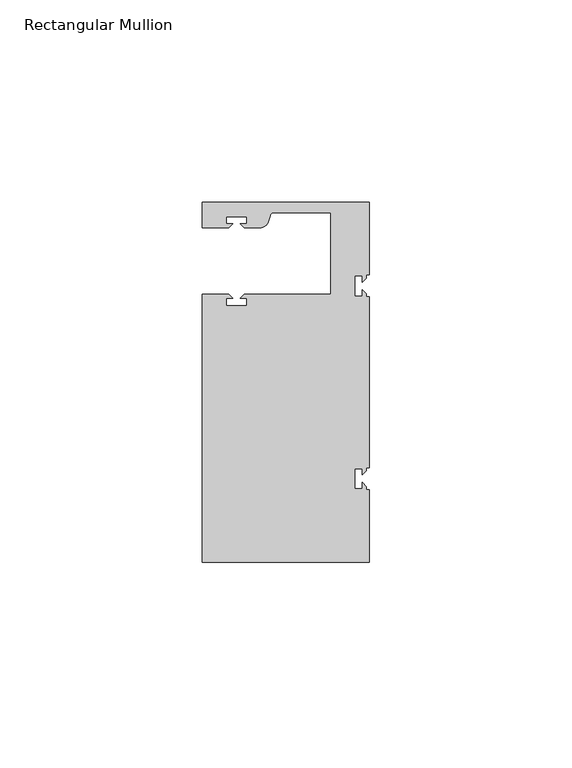
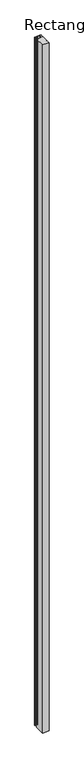
"""IFC4 building model written with IfcOpenShell, lengths in millimetres: member geometry, Rectangular Mullion."""

from ifc_helpers import new_model, si_unit, point, frame, frame_2d, origin, place, context, project, spatial, polyline, circle_curve, trimmed, segment, composite_curve, outline, extrude, source, transform, mapped, element, save


def rectangular_mullion_fe72c30a(model_context):
    return source(origin(), model_context, "Body", "SweptSolid", [
        extrude(outline(composite_curve([segment(polyline([(0.0, 44.45), (0.0, 26.5319902), (-0.79375, 26.5319902), (-0.79375, 25.7382402), (-1.7937657, 24.7382245), (-1.7937657, 26.3124974), (-3.5938131, 26.3124974), (-3.5938131, 21.3125026), (-1.7937657, 21.3125026), (-1.7937657, 22.88674), (-0.79375, 21.8867243), (-0.79375, 21.0930098), (0.0, 21.0930098), (0.0, -21.0930098), (-0.79375, -21.0930098), (-0.79375, -21.8867598), (-1.7937657, -22.8867755), (-1.7937657, -21.3125026), (-3.5938131, -21.3125026), (-3.5938131, -26.3124974), (-1.7937657, -26.3124974), (-1.7937657, -24.73826), (-0.79375, -25.7382757), (-0.79375, -26.5319902), (0.0, -26.5319902), (0.0, -44.45), (-41.275, -44.45), (-41.275, 21.749999), (-34.8007562, 21.749999), (-33.8007405, 20.7499834), (-35.3750134, 20.7499834), (-35.3750134, 18.949936), (-30.3750186, 18.949936), (-30.3750186, 20.7499834), (-31.949256, 20.7499834), (-30.9492434, 21.7499959), (-9.525, 21.7499959), (-9.525, 41.95), (-23.5599329, 41.95)]), True, "CONTINUOUS"), segment(trimmed(circle_curve(frame_2d((-23.5599329, 40.9500001)), 1.0), [point((-23.5599329, 41.95))], [point((-24.5258588, 41.2088192))], True, "CARTESIAN"), True, "CONTINUOUS"), segment(polyline([(-24.5258588, 41.2088192), (-24.8489707, 40.002949)]), True, "CONTINUOUS"), segment(trimmed(circle_curve(frame_2d((-27.2637853, 40.6499966)), 2.5), [point((-24.8489707, 40.002949))], [point((-27.2637853, 38.1499966))], False, "CARTESIAN"), True, "CONTINUOUS"), segment(polyline([(-27.2637853, 38.1499966), (-30.9492503, 38.1499966), (-31.949256, 39.1500023), (-30.3749831, 39.1500023), (-30.3749831, 40.9498819), (-35.3749778, 40.9498819), (-35.3749778, 39.1500023), (-33.8007405, 39.1500023), (-34.8007531, 38.1499897), (-41.2749977, 38.1499897), (-41.2749977, 44.45), (0.0, 44.45)]), True, "CONTINUOUS")], self_intersect=False)), frame((0.0, 0.0, -4673.6), z_axis=(0.0, 0.0, 1.0), x_axis=(1.0, 0.0, 0.0)), (0.0, 0.0, 1.0), 4673.6),
    ])


if __name__ == "__main__":
    model = new_model("IFC4")
    model_context = context("Model", 3, world=origin())
    ifc_project = project(units=[si_unit("LENGTHUNIT", "METRE", prefix="MILLI")], contexts=[model_context])
    site = spatial("IfcSite", under=ifc_project)
    building = spatial("IfcBuilding", under=site)
    placement = place(None, origin())
    rectangular_mullion_shape = rectangular_mullion_fe72c30a(model_context)
    element("IfcMember", 1, ObjectType="Rectangular Mullion", at=placement, inside=building, context=model_context, shape_type="MappedRepresentation", body=[
        mapped(rectangular_mullion_shape, transform((0.0, 0.0, 0.0), x_axis=(1.0, 0.0, 0.0), y_axis=(0.0, 1.0, 0.0), z_axis=(0.0, 0.0, 1.0))),
    ])
    save(model, "model.ifc")
